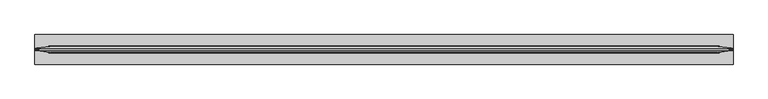
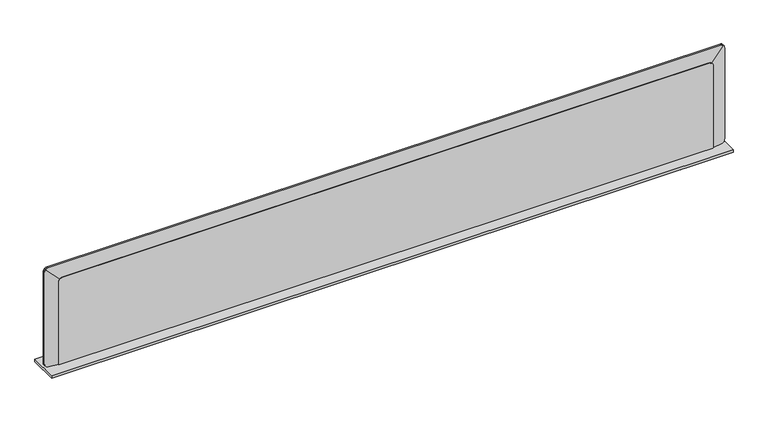
"""IFC4 building model written with IfcOpenShell, lengths in millimetres: furniture geometry."""

from ifc_helpers import new_model, si_unit, frame, origin, place, context, project, spatial, polyline, outline, extrude, faceted_brep, source, transform, mapped, element, save


def furniture_ee7240f1(model_context):
    return source(origin(), model_context, "Body", "SolidModel", [
        extrude(outline(polyline([(1828.7990553, 29.2115392), (1828.7990553, -48.2592568), (0.0, -48.2592568), (0.0, 29.2115392), (1828.7990553, 29.2115392)])), frame((0.0, 0.0, 91.6066873), z_axis=(0.0, 0.0, 1.0), x_axis=(1.0, 0.0, 0.0)), (0.0, 0.0, 1.0), 6.9453127),
        extrude(outline(polyline([(117.8503738, -10.5510479), (118.2468521, -7.5394835), (120.6567068, -5.690339), (123.668269, -6.0868196), (125.5174112, -8.4966675), (125.1209329, -11.5082342), (122.7110782, -13.3573765), (119.699516, -12.9608981), (117.8503738, -10.5510479)])), frame((0.0, 0.0, 64.1902085), z_axis=(0.0, 0.0, 1.0), x_axis=(1.0, 0.0, 0.0)), (0.0, 0.0, 1.0), 27.4164788),
        extrude(outline(polyline([(1705.9983387, -5.690339), (1709.0098918, -6.0868196), (1710.8590522, -8.4966675), (1710.4625648, -11.5082342), (1708.0527191, -13.3573765), (1705.0411297, -12.9608981), (1703.1920056, -10.5510479), (1703.5884931, -7.5394835), (1705.9983387, -5.690339)])), frame((0.0, 0.0, 64.1902085), z_axis=(0.0, 0.0, 1.0), x_axis=(1.0, 0.0, 0.0)), (0.0, 0.0, 1.0), 27.4164788),
        extrude(outline(polyline([(343.154, 1781.9178925), (343.154, 46.8257121), (342.4679549, 43.184392), (341.3798673, 40.7952556), (340.0986955, 39.2079102), (338.1866029, 37.7230447), (335.8609454, 36.7081476), (333.2037493, 36.322), (98.552, 36.322), (98.552, 1792.478), (332.8156758, 1792.478), (335.8609454, 1792.035457), (338.1866029, 1791.0205599), (340.0986955, 1789.5356944), (341.3798673, 1787.9483489), (342.4679549, 1785.5592125), (343.154, 1781.9178925)])), frame((0.0, -19.05, 0.0), z_axis=(0.0, 1.0, 0.0), x_axis=(0.0, 0.0, 1.0)), (0.0, 0.0, 1.0), 19.05),
        faceted_brep([(1789.2466046, -1.27, 98.552), (1789.2466046, -1.27, 339.9226046), (1824.3341432, -6.201232, 375.0101432), (1825.8749553, -6.417779, 373.0260069), (1826.3624727, -6.4862951, 371.9088509), (1827.276, -6.614683, 365.6225988), (1827.276, -6.614683, 110.9528387), (1826.3624727, -6.4862951, 104.6665866), (1825.8749553, -6.417779, 103.5494306), (1824.3900898, -6.2090948, 101.637338), (1822.8027444, -5.9860079, 100.3561662), (1820.413608, -5.6502367, 99.2680786), (1816.9920479, -5.1693678, 98.6234375), (1789.2466046, -17.78, 339.9226046), (1789.2466046, -17.78, 98.552), (1816.9920479, -13.6835084, 98.6234375), (1820.413608, -13.1783302, 99.2680786), (1822.8027444, -12.8255849, 100.3561662), (1824.3900898, -12.5912203, 101.637338), (1825.8749553, -12.3719865, 103.5494306), (1826.3624727, -12.3000068, 104.6665866), (1827.276, -12.1651285, 110.9528387), (1827.276, -12.1651285, 365.6225988), (1826.3624727, -12.3000068, 371.9088509), (1825.8749553, -12.3719865, 373.0260069), (1824.3341432, -12.5994806, 375.0101432), (39.5533954, -1.27, 339.9226046), (39.5533954, -1.27, 98.552), (11.8079521, -5.1693678, 98.6234375), (8.386392, -5.6502367, 99.2680786), (5.9972556, -5.9860079, 100.3561662), (4.4099102, -6.2090948, 101.637338), (2.9250447, -6.417779, 103.5494306), (2.4375273, -6.4862951, 104.6665866), (1.524, -6.614683, 110.9528387), (1.524, -6.614683, 368.0431533), (1.9101476, -6.5604135, 370.7003494), (2.9250447, -6.417779, 373.0260069), (4.4658568, -6.201232, 375.0101432), (39.5533954, -17.78, 98.552), (39.5533954, -17.78, 339.9226046), (4.4658568, -12.5994806, 375.0101432), (2.9250447, -12.3719865, 373.0260069), (1.9101476, -12.2221415, 370.7003494), (1.524, -12.1651285, 368.0431533), (1.524, -12.1651285, 110.9528387), (2.4375273, -12.3000068, 104.6665866), (2.9250447, -12.3719865, 103.5494306), (4.4099102, -12.5912203, 101.637338), (5.9972556, -12.8255849, 100.3561662), (8.386392, -13.1783302, 99.2680786), (11.8079521, -13.6835084, 98.6234375), (5.9972556, -6.3711638, 376.2192713), (8.386392, -6.5240846, 377.3073589), (11.8079521, -6.614683, 377.952), (1816.9920479, -6.614683, 377.952), (1820.413608, -6.5240846, 377.3073589), (1822.8027444, -6.3711638, 376.2192713), (1822.8027444, -12.4209582, 376.2192713), (1820.413608, -12.2603069, 377.3073589), (1816.9920479, -12.1651285, 377.952), (11.8079521, -12.1651285, 377.952), (8.386392, -12.2603069, 377.3073589), (5.9972556, -12.4209582, 376.2192713)], [[[0, 1, 2, 3, 4, 5, 6, 7, 8, 9, 10, 11, 12]], [[13, 14, 15, 16, 17, 18, 19, 20, 21, 22, 23, 24, 25]], [[26, 27, 28, 29, 30, 31, 32, 33, 34, 35, 36, 37, 38]], [[39, 40, 41, 42, 43, 44, 45, 46, 47, 48, 49, 50, 51]], [[1, 26, 38, 52, 53, 54, 55, 56, 57, 2]], [[40, 13, 25, 58, 59, 60, 61, 62, 63, 41]], [[1, 0, 14, 13]], [[39, 27, 26, 40]], [[26, 1, 13, 40]], [[5, 22, 21, 6]], [[44, 35, 34, 45]], [[54, 61, 60, 55]], [[36, 43, 42, 37]], [[41, 38, 37, 42]], [[38, 41, 63, 52]], [[52, 63, 62, 53]], [[53, 62, 61, 54]], [[43, 36, 35, 44]], [[3, 24, 23, 4]], [[2, 25, 24, 3]], [[25, 2, 57, 58]], [[58, 57, 56, 59]], [[59, 56, 55, 60]], [[4, 23, 22, 5]], [[27, 39, 51, 28]], [[14, 0, 12, 15]], [[7, 20, 19, 8]], [[8, 19, 18, 9]], [[9, 18, 17, 10]], [[10, 17, 16, 11]], [[11, 16, 15, 12]], [[20, 7, 6, 21]], [[33, 46, 45, 34]], [[50, 29, 28, 51]], [[29, 50, 49, 30]], [[30, 49, 48, 31]], [[31, 48, 47, 32]], [[46, 33, 32, 47]]]),
    ])


if __name__ == "__main__":
    model = new_model("IFC4")
    model_context = context("Model", 3, world=origin())
    ifc_project = project(units=[si_unit("LENGTHUNIT", "METRE", prefix="MILLI")], contexts=[model_context])
    site = spatial("IfcSite", under=ifc_project)
    building = spatial("IfcBuilding", under=site)
    placement = place(None, origin())
    furniture_shape = furniture_ee7240f1(model_context)
    element("IfcFurniture", 1, at=placement, inside=building, context=model_context, shape_type="MappedRepresentation", body=[
        mapped(furniture_shape, transform((0.0, 0.0, 0.0), x_axis=(1.0, 0.0, 0.0), y_axis=(0.0, 1.0, 0.0), z_axis=(0.0, 0.0, 1.0))),
    ])
    save(model, "model.ifc")
